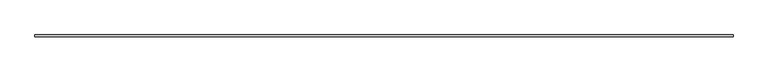
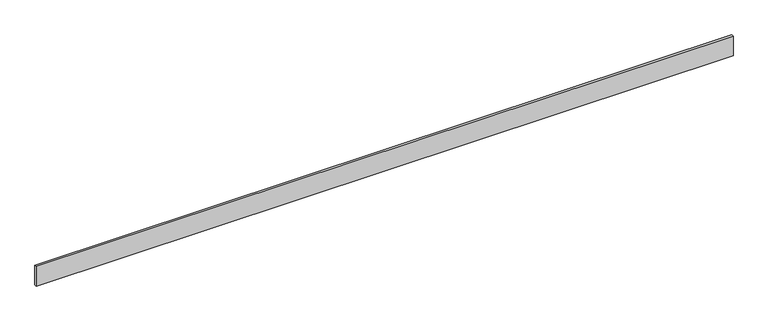
"""IFC4 building model written with IfcOpenShell, lengths in millimetres: furniture geometry."""

from ifc_helpers import new_model, si_unit, origin, origin_with_axes, place, context, project, spatial, polyline, outline, extrude, source, transform, mapped, element, save


def furniture_958cae4b(model_context):
    return source(origin(), model_context, "Body", "SweptSolid", [
        extrude(outline(polyline([(0.0, 0.0), (0.0, 10.0), (3358.5786438, 10.0), (3358.5786438, 0.0), (0.0, 0.0)])), origin_with_axes(), (0.0, 0.0, 1.0), 100.0),
    ])


if __name__ == "__main__":
    model = new_model("IFC4")
    model_context = context("Model", 3, world=origin())
    ifc_project = project(units=[si_unit("LENGTHUNIT", "METRE", prefix="MILLI")], contexts=[model_context])
    site = spatial("IfcSite", under=ifc_project)
    building = spatial("IfcBuilding", under=site)
    placement = place(None, origin())
    furniture_shape = furniture_958cae4b(model_context)
    element("IfcFurniture", 1, at=placement, inside=building, context=model_context, shape_type="MappedRepresentation", body=[
        mapped(furniture_shape, transform((0.0, 0.0, 0.0), x_axis=(1.0, 0.0, 0.0), y_axis=(0.0, 1.0, 0.0), z_axis=(0.0, 0.0, 1.0))),
    ])
    save(model, "model.ifc")
